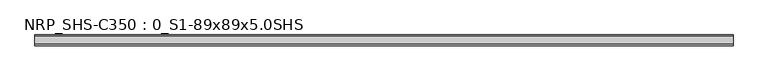
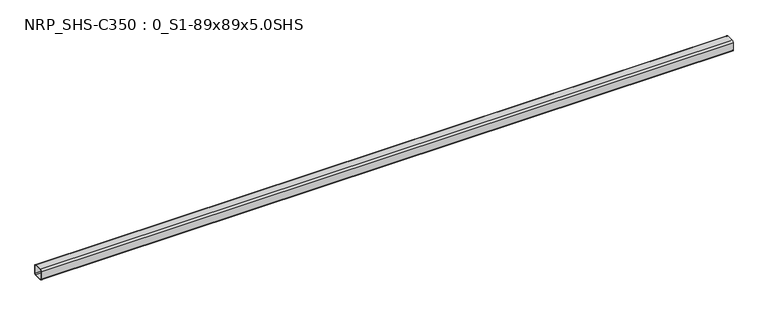
"""IFC4 building model written with IfcOpenShell, lengths in millimetres: beam geometry, NRP_SHS-C350 : 0_S1-89x89x5.0SHS."""

from ifc_helpers import new_model, si_unit, point, frame, frame_2d, origin, place, context, project, spatial, polyline, circle_curve, trimmed, segment, composite_curve, outline, extrude, source, transform, mapped, element, save


def nrp_shs_c350_0_s1_89x89x5_0shs_d30365d2(model_context):
    return source(origin(), model_context, "Body", "SweptSolid", [
        extrude(outline(composite_curve([segment(trimmed(circle_curve(frame_2d((-32.0, 32.0)), 12.5), [point((-44.5, 32.0))], [point((-32.0, 44.5))], False, "CARTESIAN"), True, "CONTINUOUS"), segment(polyline([(-32.0, 44.5), (32.0, 44.5)]), True, "CONTINUOUS"), segment(trimmed(circle_curve(frame_2d((32.0, 32.0)), 12.5), [point((32.0, 44.5))], [point((44.5, 32.0))], False, "CARTESIAN"), True, "CONTINUOUS"), segment(polyline([(44.5, 32.0), (44.5, -32.0)]), True, "CONTINUOUS"), segment(trimmed(circle_curve(frame_2d((32.0, -32.0)), 12.5), [point((44.5, -32.0))], [point((32.0, -44.5))], False, "CARTESIAN"), True, "CONTINUOUS"), segment(polyline([(32.0, -44.5), (-32.0, -44.5)]), True, "CONTINUOUS"), segment(trimmed(circle_curve(frame_2d((-32.0, -32.0)), 12.5), [point((-32.0, -44.5))], [point((-44.5, -32.0))], False, "CARTESIAN"), True, "CONTINUOUS"), segment(polyline([(-44.5, -32.0), (-44.5, 32.0)]), True, "CONTINUOUS")], self_intersect=False), holes=[composite_curve([segment(polyline([(32.0, 39.5), (-32.0, 39.5)]), True, "CONTINUOUS"), segment(trimmed(circle_curve(frame_2d((-32.0, 32.0)), 7.5), [point((-32.0, 39.5))], [point((-39.5, 32.0))], True, "CARTESIAN"), True, "CONTINUOUS"), segment(polyline([(-39.5, 32.0), (-39.5, -32.0)]), True, "CONTINUOUS"), segment(trimmed(circle_curve(frame_2d((-32.0, -32.0)), 7.5), [point((-39.5, -32.0))], [point((-32.0, -39.5))], True, "CARTESIAN"), True, "CONTINUOUS"), segment(polyline([(-32.0, -39.5), (32.0, -39.5)]), True, "CONTINUOUS"), segment(trimmed(circle_curve(frame_2d((32.0, -32.0)), 7.5), [point((32.0, -39.5))], [point((39.5, -32.0))], True, "CARTESIAN"), True, "CONTINUOUS"), segment(polyline([(39.5, -32.0), (39.5, 32.0)]), True, "CONTINUOUS"), segment(trimmed(circle_curve(frame_2d((32.0, 32.0)), 7.5), [point((39.5, 32.0))], [point((32.0, 39.5))], True, "CARTESIAN"), True, "CONTINUOUS")], self_intersect=False)]), frame((-2812.5, 0.0, 0.0), z_axis=(1.0, 0.0, 0.0), x_axis=(0.0, 1.0, 0.0)), (0.0, 0.0, 1.0), 5637.0),
    ])


if __name__ == "__main__":
    model = new_model("IFC4")
    model_context = context("Model", 3, world=origin())
    ifc_project = project(units=[si_unit("LENGTHUNIT", "METRE", prefix="MILLI")], contexts=[model_context])
    site = spatial("IfcSite", under=ifc_project)
    building = spatial("IfcBuilding", under=site)
    placement = place(None, origin())
    nrp_shs_c350_0_s1_89x89x5_0shs_shape = nrp_shs_c350_0_s1_89x89x5_0shs_d30365d2(model_context)
    element("IfcBeam", 1, ObjectType="NRP_SHS-C350 : 0_S1-89x89x5.0SHS", at=placement, inside=building, context=model_context, shape_type="MappedRepresentation", body=[
        mapped(nrp_shs_c350_0_s1_89x89x5_0shs_shape, transform((0.0, 0.0, 0.0), x_axis=(1.0, 0.0, 0.0), y_axis=(0.0, 1.0, 0.0), z_axis=(0.0, 0.0, 1.0))),
    ])
    save(model, "model.ifc")
